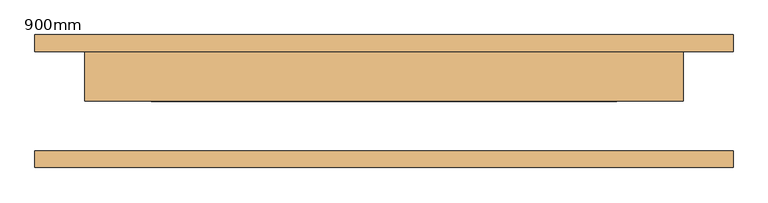
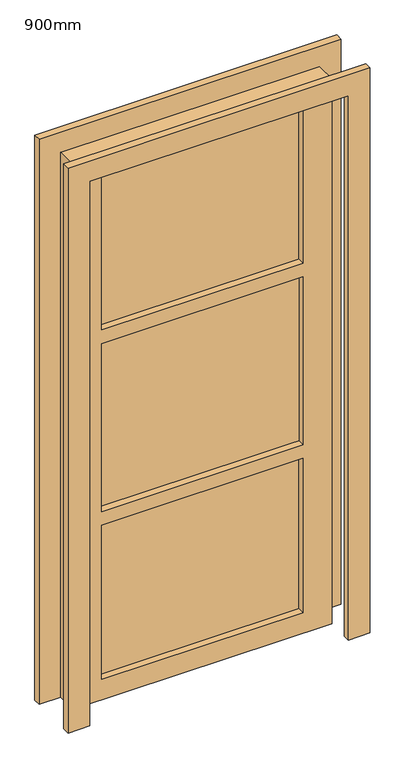
"""IFC4 building model written with IfcOpenShell, lengths in millimetres: door geometry, 900mm."""

from ifc_helpers import new_model, si_unit, frame, origin, place, context, project, spatial, polyline, outline, extrude, source, transform, mapped, element, save


def door_900mm_507296d3(model_context):
    return source(origin(), model_context, "Body", "SweptSolid", [
        extrude(outline(polyline([(2000.0, -450.0), (2000.0, 450.0), (0.0, 450.0), (0.0, 525.0), (2075.0, 525.0), (2075.0, -525.0), (0.0, -525.0), (0.0, -450.0), (2000.0, -450.0)])), frame((0.0, 75.0, 0.0), z_axis=(0.0, 1.0, 0.0), x_axis=(0.0, 0.0, 1.0)), (0.0, 0.0, 1.0), 25.0),
        extrude(outline(polyline([(2075.0, -525.0), (0.0, -525.0), (0.0, -450.0), (2000.0, -450.0), (2000.0, 450.0), (0.0, 450.0), (0.0, 525.0), (2075.0, 525.0), (2075.0, -525.0)])), frame((0.0, -100.0, 0.0), z_axis=(0.0, 1.0, 0.0), x_axis=(0.0, 0.0, 1.0)), (0.0, 0.0, 1.0), 25.0),
        extrude(outline(polyline([(-350.0, 50.0), (350.0, 50.0), (350.0, 25.0), (-350.0, 25.0), (-350.0, 50.0)])), frame((0.0, 0.0, 691.7), z_axis=(0.0, 0.0, 1.0), x_axis=(1.0, 0.0, 0.0)), (0.0, 0.0, 1.0), 616.7),
        extrude(outline(polyline([(2000.0, 450.0), (2000.0, -450.0), (0.0, -450.0), (0.0, 450.0), (2000.0, 450.0)]), holes=[polyline([(641.7333333, -350.0), (641.7333333, 350.0), (75.0333333, 350.0), (75.0333333, -350.0), (641.7333333, -350.0)]), polyline([(1308.4, -350.0), (1308.4, 350.0), (691.7, 350.0), (691.7, -350.0), (1308.4, -350.0)]), polyline([(1925.0666667, -350.0), (1925.0666667, 350.0), (1358.3666667, 350.0), (1358.3666667, -350.0), (1925.0666667, -350.0)])]), frame((0.0, 0.0, 0.0), z_axis=(0.0, 1.0, 0.0), x_axis=(0.0, 0.0, 1.0)), (0.0, 0.0, 1.0), 75.0),
        extrude(outline(polyline([(-350.0, 50.0), (350.0, 50.0), (350.0, 25.0), (-350.0, 25.0), (-350.0, 50.0)])), frame((0.0, 0.0, 25.0333333), z_axis=(0.0, 0.0, 1.0), x_axis=(1.0, 0.0, 0.0)), (0.0, 0.0, 1.0), 616.7),
        extrude(outline(polyline([(-350.0, 50.0), (350.0, 50.0), (350.0, 25.0), (-350.0, 25.0), (-350.0, 50.0)])), frame((0.0, 0.0, 1358.3666667), z_axis=(0.0, 0.0, 1.0), x_axis=(1.0, 0.0, 0.0)), (0.0, 0.0, 1.0), 616.7),
    ])


if __name__ == "__main__":
    model = new_model("IFC4")
    model_context = context("Model", 3, world=origin())
    ifc_project = project(units=[si_unit("LENGTHUNIT", "METRE", prefix="MILLI")], contexts=[model_context])
    site = spatial("IfcSite", under=ifc_project)
    building = spatial("IfcBuilding", under=site)
    placement = place(None, origin())
    door_900mm_shape = door_900mm_507296d3(model_context)
    element("IfcDoor", 1, ObjectType="900mm", at=placement, inside=building, context=model_context, shape_type="MappedRepresentation", body=[
        mapped(door_900mm_shape, transform((0.0, 0.0, 0.0), x_axis=(1.0, 0.0, 0.0), y_axis=(0.0, 1.0, 0.0), z_axis=(0.0, 0.0, 1.0))),
    ])
    save(model, "model.ifc")
